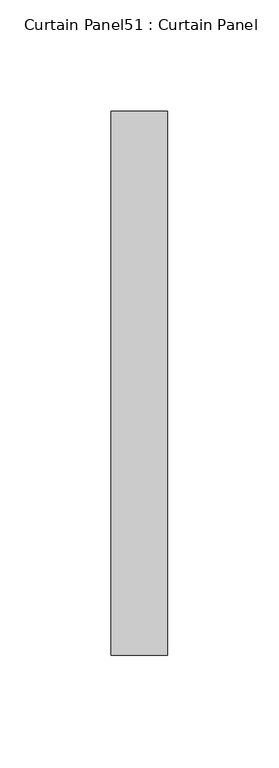
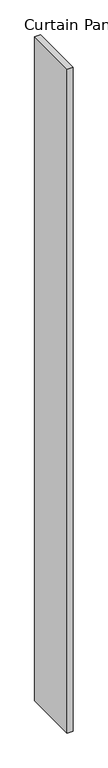
"""IFC4 building model written with IfcOpenShell, lengths in millimetres: plate geometry, Curtain Panel51 : Curtain Panel."""

from ifc_helpers import new_model, si_unit, origin, origin_with_axes, place, context, project, spatial, polyline, outline, extrude, source, transform, mapped, element, save


def curtain_panel51_curtain_panel_364f1ff7(model_context):
    return source(origin(), model_context, "Body", "SweptSolid", [
        extrude(outline(polyline([(-351648.490106, 3132.0967307), (-351648.490106, 3376.3547425), (-351623.090106, 3376.3547425), (-351623.090106, 3132.0967307), (-351648.490106, 3132.0967307)])), origin_with_axes(), (0.0, 0.0, 1.0), 3048.0),
    ])


if __name__ == "__main__":
    model = new_model("IFC4")
    model_context = context("Model", 3, world=origin())
    ifc_project = project(units=[si_unit("LENGTHUNIT", "METRE", prefix="MILLI")], contexts=[model_context])
    site = spatial("IfcSite", under=ifc_project)
    building = spatial("IfcBuilding", under=site)
    placement = place(None, origin())
    curtain_panel51_curtain_panel_shape = curtain_panel51_curtain_panel_364f1ff7(model_context)
    element("IfcPlate", 1, ObjectType="Curtain Panel51 : Curtain Panel", at=placement, inside=building, context=model_context, shape_type="MappedRepresentation", body=[
        mapped(curtain_panel51_curtain_panel_shape, transform((0.0, 0.0, 0.0), x_axis=(1.0, 0.0, 0.0), y_axis=(0.0, 1.0, 0.0), z_axis=(0.0, 0.0, 1.0))),
    ])
    save(model, "model.ifc")
